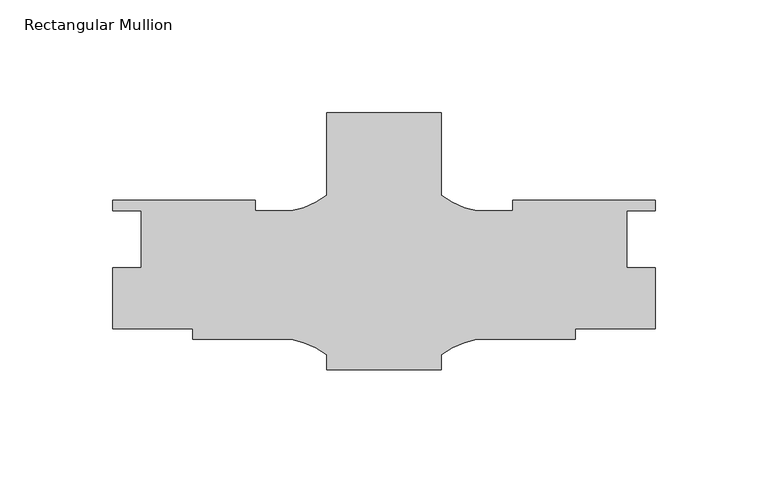
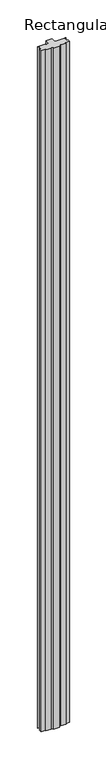
"""IFC4 building model written with IfcOpenShell, lengths in millimetres: member geometry, Rectangular Mullion."""

from ifc_helpers import new_model, si_unit, point, frame, frame_2d, origin, place, context, project, spatial, polyline, circle_curve, trimmed, segment, composite_curve, outline, extrude, source, transform, mapped, element, save


def rectangular_mullion_9b84ce74(model_context):
    return source(origin(), model_context, "Body", "SweptSolid", [
        extrude(outline(composite_curve([segment(polyline([(-25.4, 20.3819153), (-25.4, 57.2078803), (25.4, 57.2078803), (25.4, 20.3819153)]), True, "CONTINUOUS"), segment(trimmed(circle_curve(frame_2d((47.5843006, 49.9259524)), 36.945816), [point((25.4, 20.3819153))], [point((41.2187366, 13.5326438))], True, "CARTESIAN"), True, "CONTINUOUS"), segment(polyline([(41.2187366, 13.5326438), (57.15, 13.5326438), (57.15, 18.2951438), (120.65, 18.2951437), (120.65, 13.5961437), (107.95, 13.5961437), (107.95, -11.8038563), (120.65, -11.8038563), (120.65, -38.8548563), (85.0500517, -38.8548563), (85.0500517, -43.6173563), (41.2172861, -43.6173563)]), True, "CONTINUOUS"), segment(trimmed(circle_curve(frame_2d((47.5843006, -80.0104112)), 36.945816), [point((41.2172861, -43.6173563))], [point((25.4, -50.4663741))], True, "CARTESIAN"), True, "CONTINUOUS"), segment(polyline([(25.4, -50.4663741), (25.4, -57.0921197), (-25.4, -57.0921197), (-25.4, -50.4663741)]), True, "CONTINUOUS"), segment(trimmed(circle_curve(frame_2d((-47.5843006, -80.0104112)), 36.945816), [point((-25.4, -50.4663741))], [point((-41.2172861, -43.6173563))], True, "CARTESIAN"), True, "CONTINUOUS"), segment(polyline([(-41.2172861, -43.6173563), (-85.0500517, -43.6173562), (-85.0500517, -38.8548562), (-120.65, -38.8548562), (-120.65, -11.8038562), (-107.95, -11.8038562), (-107.95, 13.5961438), (-120.65, 13.5961438), (-120.65, 18.2951438), (-57.15, 18.2951438), (-57.15, 13.5326438), (-41.2187366, 13.5326438)]), True, "CONTINUOUS"), segment(trimmed(circle_curve(frame_2d((-47.5843006, 49.9259524)), 36.945816), [point((-41.2187366, 13.5326438))], [point((-25.4, 20.3819153))], True, "CARTESIAN"), True, "CONTINUOUS")], self_intersect=False)), frame((0.0, 0.0, -6096.0), z_axis=(0.0, 0.0, 1.0), x_axis=(1.0, 0.0, 0.0)), (0.0, 0.0, 1.0), 6096.0),
    ])


if __name__ == "__main__":
    model = new_model("IFC4")
    model_context = context("Model", 3, world=origin())
    ifc_project = project(units=[si_unit("LENGTHUNIT", "METRE", prefix="MILLI")], contexts=[model_context])
    site = spatial("IfcSite", under=ifc_project)
    building = spatial("IfcBuilding", under=site)
    placement = place(None, origin())
    rectangular_mullion_shape = rectangular_mullion_9b84ce74(model_context)
    element("IfcMember", 1, ObjectType="Rectangular Mullion", at=placement, inside=building, context=model_context, shape_type="MappedRepresentation", body=[
        mapped(rectangular_mullion_shape, transform((0.0, 0.0, 0.0), x_axis=(1.0, 0.0, 0.0), y_axis=(0.0, 1.0, 0.0), z_axis=(0.0, 0.0, 1.0))),
    ])
    save(model, "model.ifc")
